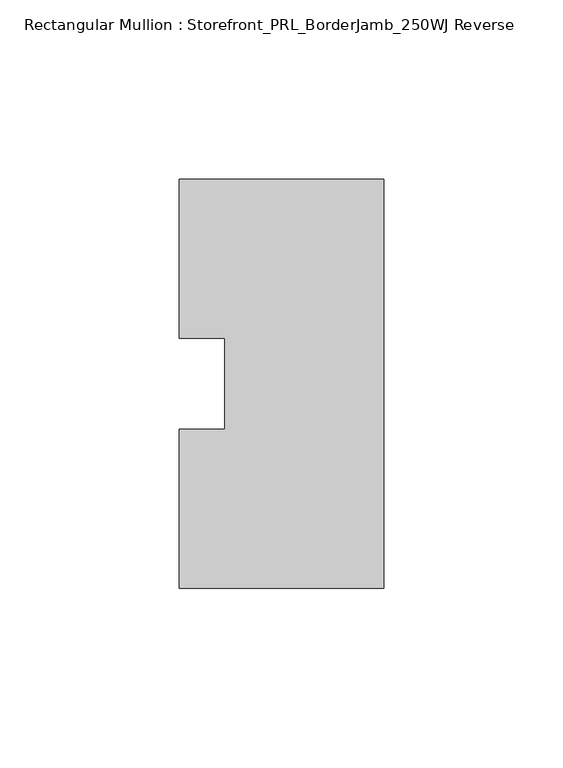
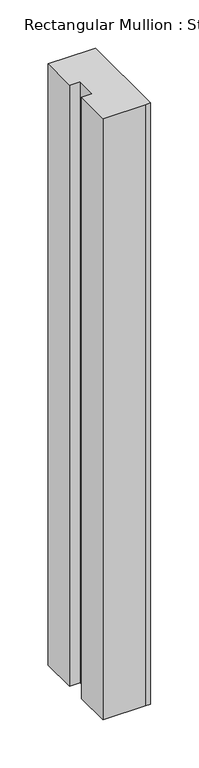
"""IFC4 building model written with IfcOpenShell, lengths in millimetres: member geometry, Rectangular Mullion : Storefront_PRL_BorderJamb_250WJ Reverse."""

import ifcopenshell
import ifcopenshell.guid

model = None  # the IFC model being written
_history = None  # IfcOwnerHistory: only IFC2X3 demands one
_inside = {}  # id of a spatial element -> (the spatial element, [elements in it])
_under = {}  # id of a project, library or spatial element -> (it, [spatial elements below it])
_declared = {}  # id of a project -> (the project, [libraries it declares])
_typed = {}  # id of a type object -> (the type object, [elements of that type])
_made_of = {}  # id of a material, layer set ... -> (it, [elements and type objects made of it])


def new_model(schema):
    """Start an empty IFC model of exactly this schema.

    Asked for "IFC4X3", IfcOpenShell would pick the latest addendum, in which some entities
    have other attributes; the version numbers below select the first issue.
    IFC2X3 requires an IfcOwnerHistory on every rooted entity: one is made here for all.
    """
    global model, _history
    if schema == "IFC4X3":
        model = ifcopenshell.file(schema_version=(4, 3, 0, 0))
    else:
        model = ifcopenshell.file(schema=schema)
    _inside.clear()
    _under.clear()
    _declared.clear()
    _typed.clear()
    _made_of.clear()
    _history = None
    if model.schema == "IFC2X3":
        org = make("IfcOrganization", Name="unknown")
        user = make(
            "IfcPersonAndOrganization",
            ThePerson=make("IfcPerson", FamilyName="unknown"),
            TheOrganization=org,
        )
        app = make(
            "IfcApplication",
            ApplicationDeveloper=org,
            Version="unknown",
            ApplicationFullName="unknown",
            ApplicationIdentifier="unknown",
        )
        _history = make(
            "IfcOwnerHistory",
            OwningUser=user,
            OwningApplication=app,
            ChangeAction="ADDED",
            CreationDate=0,
        )
    return model


def make(cls, **values):
    """One entity of the class cls with the attributes given. An attribute that is None is left unset."""
    return model.create_entity(
        cls, **{name: value for name, value in values.items() if value is not None}
    )


def rooted(cls, **values):
    """An entity with a GlobalId (a new one), such as an element, a storey or a relation."""
    return make(cls, GlobalId=ifcopenshell.guid.new(), OwnerHistory=_history, **values)


def si_unit(unit_type, name, prefix=None):
    """IfcSIUnit, for example si_unit("LENGTHUNIT", "METRE", prefix="MILLI")."""
    return make("IfcSIUnit", UnitType=unit_type, Prefix=prefix, Name=name)


def assignment(units):
    """IfcUnitAssignment: the units of a project."""
    return None if units is None else make("IfcUnitAssignment", Units=units)


def point(xyz):
    """IfcCartesianPoint."""
    return None if xyz is None else make("IfcCartesianPoint", Coordinates=xyz)


def direction(xyz):
    """IfcDirection."""
    return None if xyz is None else make("IfcDirection", DirectionRatios=xyz)


def frame(location, z_axis=None, x_axis=None):
    """IfcAxis2Placement3D, a coordinate frame: its origin and axes. An axis left out is left unset."""
    return make(
        "IfcAxis2Placement3D",
        Location=point(location),
        Axis=direction(z_axis),
        RefDirection=direction(x_axis),
    )


def origin():
    """The frame at (0, 0, 0) with its axes left unset."""
    return frame((0.0, 0.0, 0.0))


def place(relative_to, where):
    """IfcLocalPlacement: puts the frame where relative to a parent placement (None: the world)."""
    return make(
        "IfcLocalPlacement", PlacementRelTo=relative_to, RelativePlacement=where
    )


def context(
    kind, dimensions, precision=None, world=None, true_north=None, identifier=None
):
    """IfcGeometricRepresentationContext, for example the 3D "Model" context."""
    return make(
        "IfcGeometricRepresentationContext",
        ContextIdentifier=identifier,
        ContextType=kind,
        CoordinateSpaceDimension=dimensions,
        Precision=precision,
        WorldCoordinateSystem=world,
        TrueNorth=true_north,
    )


def project(units=None, contexts=None):
    """IfcProject with its units and contexts."""
    return rooted(
        "IfcProject",
        Name="project",
        RepresentationContexts=contexts,
        UnitsInContext=assignment(units),
    )


def spatial(cls, under=None, at=None, **own):
    """A site, building, storey or space (cls), placed at a placement, below another one or the project."""
    s = rooted(cls, ObjectPlacement=at, **own)
    if under is not None:
        _under.setdefault(under.id(), (under, []))[1].append(s)
    return s


def polyline(points):
    """IfcPolyline through the points."""
    return make("IfcPolyline", Points=[point(p) for p in points])


def outline(outer, holes=None, kind="AREA"):
    """IfcArbitraryClosedProfileDef: a profile drawn as a closed curve; with holes, ...WithVoids."""
    if holes is None:
        return make("IfcArbitraryClosedProfileDef", ProfileType=kind, OuterCurve=outer)
    return make(
        "IfcArbitraryProfileDefWithVoids",
        ProfileType=kind,
        OuterCurve=outer,
        InnerCurves=holes,
    )


def extrude(swept, where, along, depth):
    """IfcExtrudedAreaSolid: the profile swept, set in the frame where, extruded along a direction by depth."""
    return make(
        "IfcExtrudedAreaSolid",
        SweptArea=swept,
        Position=where,
        ExtrudedDirection=direction(along),
        Depth=depth,
    )


def shape(context_of_items, identifier, shape_type, items):
    """IfcShapeRepresentation: the items that make up one representation, for example the "Body"."""
    return make(
        "IfcShapeRepresentation",
        ContextOfItems=context_of_items,
        RepresentationIdentifier=identifier,
        RepresentationType=shape_type,
        Items=items,
    )


def source(mapping_origin, context_of_items, identifier, shape_type, items):
    """IfcRepresentationMap: a shape defined once, which mapped items show again and again."""
    return make(
        "IfcRepresentationMap",
        MappingOrigin=mapping_origin,
        MappedRepresentation=shape(context_of_items, identifier, shape_type, items),
    )


def transform(
    local_origin,
    x_axis=None,
    y_axis=None,
    z_axis=None,
    scale=None,
    scale2=None,
    scale3=None,
    uniform=True,
):
    """IfcCartesianTransformationOperator3D, or its non-uniform kind. x_axis, y_axis, z_axis: its Axis1, 2, 3."""
    if uniform:
        return make(
            "IfcCartesianTransformationOperator3D",
            Axis1=direction(x_axis),
            Axis2=direction(y_axis),
            LocalOrigin=point(local_origin),
            Scale=scale,
            Axis3=direction(z_axis),
        )
    return make(
        "IfcCartesianTransformationOperator3DnonUniform",
        Axis1=direction(x_axis),
        Axis2=direction(y_axis),
        LocalOrigin=point(local_origin),
        Scale=scale,
        Axis3=direction(z_axis),
        Scale2=scale2,
        Scale3=scale3,
    )


def mapped(mapping_source, mapping_target):
    """IfcMappedItem: shows the shape of a source again, moved by a transform."""
    return make(
        "IfcMappedItem", MappingSource=mapping_source, MappingTarget=mapping_target
    )


def made_of(thing, what):
    """Note that an element or type object is made of a material, layer set ...; save() writes the relation."""
    if what is not None:
        _made_of.setdefault(what.id(), (what, []))[1].append(thing)
    return thing


def element(
    cls,
    number,
    at=None,
    inside=None,
    cuts=None,
    type_object=None,
    material=None,
    context=None,
    identifier="Body",
    shape_type=None,
    held_by="IfcProductDefinitionShape",
    body=None,
    shapes=None,
    **own,
):
    """One element of the class cls, such as IfcWall. Its Tag is "e" and its number.

    at: its placement. inside: the storey or other place that contains it. cuts: it is an
    opening in that element (IfcRelVoidsElement). A single representation is given by context,
    identifier, shape_type and body (its items); several are given by shapes. held_by: the class
    of the entity that holds the representations. save() writes the other relations.
    """
    e = rooted(cls, Tag="e%d" % number, ObjectPlacement=at, **own)
    if body is not None:
        shapes = [shape(context, identifier, shape_type, body)]
    if shapes is not None:
        e.Representation = make(held_by, Representations=shapes)
    if inside is not None:
        _inside.setdefault(inside.id(), (inside, []))[1].append(e)
    if cuts is not None:
        rooted(
            "IfcRelVoidsElement", RelatingBuildingElement=cuts, RelatedOpeningElement=e
        )
    if type_object is not None:
        _typed.setdefault(type_object.id(), (type_object, []))[1].append(e)
    return made_of(e, material)


def aggregate(whole, parts):
    """IfcRelAggregates: a whole, such as a stair, and the parts it consists of."""
    return rooted("IfcRelAggregates", RelatingObject=whole, RelatedObjects=parts)


def save(model, path):
    """Write the relations noted so far, then the file.

    IfcRelAggregates (storeys below a building ...), IfcRelContainedInSpatialStructure (elements
    in a storey), IfcRelDefinesByType, IfcRelAssociatesMaterial and IfcRelDeclares: one each for
    every whole, place, type object, material and project.
    """
    for whole, parts in _under.values():
        aggregate(whole, parts)
    for where, things in _inside.values():
        rooted(
            "IfcRelContainedInSpatialStructure",
            RelatedElements=things,
            RelatingStructure=where,
        )
    for kind, things in _typed.values():
        rooted("IfcRelDefinesByType", RelatedObjects=things, RelatingType=kind)
    for what, things in _made_of.values():
        rooted("IfcRelAssociatesMaterial", RelatedObjects=things, RelatingMaterial=what)
    for by, libraries in _declared.values():
        rooted("IfcRelDeclares", RelatingContext=by, RelatedDefinitions=libraries)
    model.write(path)


def rectangular_mullion_storefront_prl_borderjamb_250wj_reverse_326e3cf9(model_context):
    return source(origin(), model_context, "Body", "SweptSolid", [
        extrude(outline(polyline([(-44.45, -12.7), (-44.45, 12.7), (-57.15, 12.7), (-57.15, 57.15), (-7.3958824, 57.15), (0.0, 57.15), (0.0, -57.15), (-6.35, -57.15), (-57.15, -57.15), (-57.15, -12.7), (-44.45, -12.7)])), frame((0.0, 0.0, -762.0), z_axis=(0.0, 0.0, 1.0), x_axis=(1.0, 0.0, 0.0)), (0.0, 0.0, 1.0), 762.0),
    ])


if __name__ == "__main__":
    model = new_model("IFC4")
    model_context = context("Model", 3, world=origin())
    ifc_project = project(units=[si_unit("LENGTHUNIT", "METRE", prefix="MILLI")], contexts=[model_context])
    site = spatial("IfcSite", under=ifc_project)
    building = spatial("IfcBuilding", under=site)
    placement = place(None, origin())
    rectangular_mullion_storefront_prl_borderjamb_250wj_reverse_shape = rectangular_mullion_storefront_prl_borderjamb_250wj_reverse_326e3cf9(model_context)
    element("IfcMember", 1, ObjectType="Rectangular Mullion : Storefront_PRL_BorderJamb_250WJ Reverse", at=placement, inside=building, context=model_context, shape_type="MappedRepresentation", body=[
        mapped(rectangular_mullion_storefront_prl_borderjamb_250wj_reverse_shape, transform((0.0, 0.0, 0.0), x_axis=(1.0, 0.0, 0.0), y_axis=(0.0, 1.0, 0.0), z_axis=(0.0, 0.0, 1.0))),
    ])
    save(model, "model.ifc")
